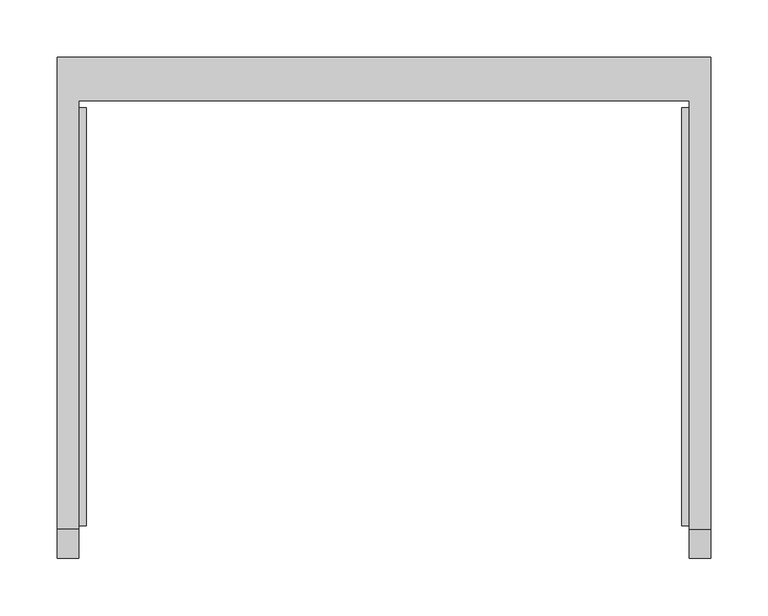
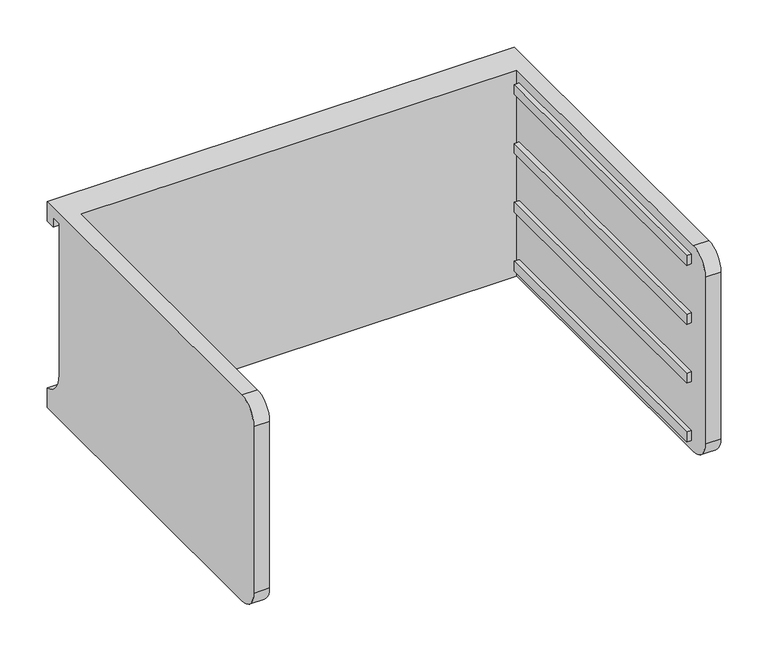
"""IFC4 building model written with IfcOpenShell, lengths in millimetres: furniture geometry."""

from ifc_helpers import new_model, si_unit, frame, origin, place, context, project, spatial, polyline, circle_curve, outline, extrude, source, transform, mapped, element, save
from ifc_brep_helpers import plane_surface, cylinder_surface, revolved_surface, advanced_brep


def furniture_abc9026d(model_context):
    return source(origin(), model_context, "Body", "SolidModel", [
        advanced_brep(
        [(-171.7622951, -331.6523397, 794.55772), (-171.7622951, -357.0523397, 769.15772), (-171.7622951, -357.0523397, 553.25772), (-171.7622951, -331.6523397, 527.85772), (-171.7622951, 43.0421197, 527.85772), (-171.7622951, 43.0421197, 794.55772), (-190.8122951, -331.6523397, 527.85772), (-190.8122951, -357.0523397, 553.25772), (-190.8122951, -357.0523397, 769.15772), (-190.8122951, -331.6523397, 794.55772), (-190.8122951, 81.0976603, 794.55772), (-190.8122951, 81.0976603, 769.15772), (-190.8122951, 68.4421197, 769.15772), (-190.8122951, 68.4421197, 781.85772), (-190.8122951, 55.7421197, 781.85772), (-190.8122951, 55.7421197, 585.80274), (-190.8122951, 81.0976603, 553.25772), (-190.8122951, 81.0976603, 527.85772), (380.6877049, 81.0976603, 527.85772), (380.6877049, -331.6523397, 527.85772), (361.6377049, -331.6523397, 527.85772), (361.6377049, 43.0421197, 527.85772), (361.6377049, 43.0421197, 794.55772), (361.6377049, -331.6523397, 794.55772), (380.6877049, -331.6523397, 794.55772), (380.6877049, 81.0976603, 794.55772), (380.6877049, 81.0976603, 553.25772), (380.6877049, 55.7421197, 585.80274), (380.6877049, 55.7421197, 781.85772), (380.6877049, 68.4421197, 781.85772), (380.6877049, 68.4421197, 769.15772), (380.6877049, 81.0976603, 769.15772), (380.6877049, -357.0523397, 769.15772), (380.6877049, -357.0523397, 553.25772), (361.6377049, -357.0523397, 553.25772), (361.6377049, -357.0523397, 769.15772)],
        [
            (0, 1, circle_curve(frame((-171.7622951, -331.6523397, 769.15772), z_axis=(1.0, 0.0, 0.0), x_axis=(0.0, 0.0, 1.0)), 25.4)),
            (1, 2),
            (2, 3, circle_curve(frame((-171.7622951, -331.6523397, 553.25772), z_axis=(1.0, 0.0, 0.0), x_axis=(0.0, 0.0, 1.0)), 25.4)),
            (3, 4),
            (4, 5),
            (5, 0),
            (6, 7, circle_curve(frame((-190.8122951, -331.6523397, 553.25772), z_axis=(-1.0, 0.0, 0.0), x_axis=(0.0, 0.0, 1.0)), 25.4)),
            (7, 8),
            (8, 9, circle_curve(frame((-190.8122951, -331.6523397, 769.15772), z_axis=(-1.0, 0.0, 0.0), x_axis=(0.0, 0.0, 1.0)), 25.4)),
            (9, 10),
            (10, 11),
            (11, 12),
            (12, 13),
            (13, 14),
            (14, 15),
            (15, 16, circle_curve(frame((-190.8122951, 89.3064162, 585.80274), z_axis=(1.0, 0.0, 0.0), x_axis=(0.0, 0.0, 1.0)), 33.5642965)),
            (16, 17),
            (17, 6),
            (0, 9),
            (8, 1),
            (7, 2),
            (6, 3),
            (17, 18),
            (18, 19),
            (19, 20),
            (20, 21),
            (21, 4),
            (5, 22),
            (22, 23),
            (23, 24),
            (24, 25),
            (25, 10),
            (18, 26),
            (26, 27, circle_curve(frame((380.6877049, 89.3064162, 585.80274), z_axis=(-1.0, 0.0, 0.0), x_axis=(0.0, 0.0, 1.0)), 33.5642965)),
            (27, 28),
            (28, 29),
            (29, 30),
            (30, 31),
            (31, 25),
            (24, 32, circle_curve(frame((380.6877049, -331.6523397, 769.15772), z_axis=(1.0, 0.0, 0.0), x_axis=(0.0, 0.0, 1.0)), 25.4)),
            (32, 33),
            (33, 19, circle_curve(frame((380.6877049, -331.6523397, 553.25772), z_axis=(1.0, 0.0, 0.0), x_axis=(0.0, 0.0, 1.0)), 25.4)),
            (16, 26),
            (15, 27),
            (14, 28),
            (13, 29),
            (12, 30),
            (11, 31),
            (21, 22),
            (20, 34, circle_curve(frame((361.6377049, -331.6523397, 553.25772), z_axis=(-1.0, 0.0, 0.0), x_axis=(0.0, 0.0, 1.0)), 25.4)),
            (34, 35),
            (35, 23, circle_curve(frame((361.6377049, -331.6523397, 769.15772), z_axis=(-1.0, 0.0, 0.0), x_axis=(0.0, 0.0, 1.0)), 25.4)),
            (35, 32),
            (34, 33),
        ],
        [
            plane_surface(frame((-171.7622951, -331.6523397, 794.55772), z_axis=(1.0, 0.0, 0.0), x_axis=(0.0, -1.0, 0.0))),
            plane_surface(frame((-190.8122951, -331.6523397, 794.55772), z_axis=(-1.0, 0.0, 0.0), x_axis=(0.0, 1.0, 0.0))),
            cylinder_surface(frame((-190.8122951, -331.6523397, 769.15772), z_axis=(1.0, 0.0, 0.0), x_axis=(0.0, 0.0, 1.0)), 25.4),
            plane_surface(frame((-171.7622951, -357.0523397, 769.15772), z_axis=(0.0, -1.0, 0.0), x_axis=(-1.0, 0.0, 0.0))),
            cylinder_surface(frame((-190.8122951, -331.6523397, 553.25772), z_axis=(1.0, 0.0, 0.0), x_axis=(0.0, 0.0, 1.0)), 25.4),
            plane_surface(frame((-171.7622951, -331.6523397, 527.85772), z_axis=(0.0, 0.0, -1.0), x_axis=(-1.0, 0.0, 0.0))),
            plane_surface(frame((-171.7622951, 43.0421197, 794.55772), z_axis=(0.0, 0.0, 1.0), x_axis=(-1.0, 0.0, 0.0))),
            plane_surface(frame((380.6877049, 81.0976603, 553.25772), z_axis=(1.0, 0.0, 0.0), x_axis=(0.0, 0.0, 1.0))),
            plane_surface(frame((380.6877049, 81.0976603, 527.85772), z_axis=(0.0, 1.0, 0.0), x_axis=(-1.0, 0.0, 0.0))),
            revolved_surface(polyline([(-190.8122951, 89.3064162, 619.3670364999999), (380.68770489999997, 89.3064162, 619.3670364999999)]), (-190.8122951, 89.3064162, 585.80274), (-1.0, 0.0, 0.0)),
            plane_surface(frame((380.6877049, 55.7421197, 585.80274), z_axis=(0.0, 1.0, 0.0), x_axis=(-1.0, 0.0, 0.0))),
            plane_surface(frame((380.6877049, 55.7421197, 781.85772), z_axis=(0.0, 0.0, -1.0), x_axis=(-1.0, 0.0, 0.0))),
            plane_surface(frame((380.6877049, 68.4421197, 781.85772), z_axis=(0.0, -1.0, 0.0), x_axis=(-1.0, 0.0, 0.0))),
            plane_surface(frame((380.6877049, 68.4421197, 769.15772), z_axis=(0.0, 0.0, -1.0), x_axis=(-1.0, 0.0, 0.0))),
            plane_surface(frame((380.6877049, 81.0976603, 769.15772), z_axis=(0.0, 1.0, 0.0), x_axis=(-1.0, 0.0, 0.0))),
            plane_surface(frame((380.6877049, 43.0421197, 794.55772), z_axis=(0.0, -1.0, 0.0), x_axis=(-1.0, 0.0, 0.0))),
            plane_surface(frame((361.6377049, -331.6523397, 794.55772), z_axis=(-1.0, 0.0, 0.0), x_axis=(0.0, 1.0, 0.0))),
            cylinder_surface(frame((361.6377049, -331.6523397, 769.15772), z_axis=(1.0, 0.0, 0.0), x_axis=(0.0, 0.0, 1.0)), 25.4),
            plane_surface(frame((380.6877049, -357.0523397, 769.15772), z_axis=(0.0, -1.0, 0.0), x_axis=(-1.0, 0.0, 0.0))),
            cylinder_surface(frame((361.6377049, -331.6523397, 553.25772), z_axis=(1.0, 0.0, 0.0), x_axis=(0.0, 0.0, 1.0)), 25.4),
        ],
        [
            (0, [[1, 2, 3, 4, 5, 6]]),
            (1, [[7, 8, 9, 10, 11, 12, 13, 14, 15, 16, 17, 18]]),
            (2, [[-1, 19, -9, 20]]),
            (3, [[-2, -20, -8, 21]]),
            (4, [[-3, -21, -7, 22]]),
            (5, [[-4, -22, -18, 23, 24, 25, 26, 27]]),
            (6, [[-6, 28, 29, 30, 31, 32, -10, -19]]),
            (7, [[-24, 33, 34, 35, 36, 37, 38, 39, -31, 40, 41, 42]]),
            (8, [[-33, -23, -17, 43]]),
            (9, [[-34, -43, -16, 44]]),
            (10, [[-35, -44, -15, 45]]),
            (11, [[-36, -45, -14, 46]]),
            (12, [[-37, -46, -13, 47]]),
            (13, [[-38, -47, -12, 48]]),
            (14, [[-39, -48, -11, -32]]),
            (15, [[-5, -27, 49, -28]]),
            (16, [[-29, -49, -26, 50, 51, 52]]),
            (17, [[-40, -30, -52, 53]]),
            (18, [[-41, -53, -51, 54]]),
            (19, [[-42, -54, -50, -25]]),
        ],
    ),
        extrude(outline(polyline([(355.2877049, -328.4773397), (355.2877049, 36.6921197), (361.6377049, 36.6921197), (361.6377049, -328.4773397), (355.2877049, -328.4773397)])), frame((0.0, 0.0, 616.75772), z_axis=(0.0, 0.0, 1.0), x_axis=(1.0, 0.0, 0.0)), (0.0, 0.0, 1.0), 12.7),
        extrude(outline(polyline([(355.2877049, -328.4773397), (355.2877049, 36.6921197), (361.6377049, 36.6921197), (361.6377049, -328.4773397), (355.2877049, -328.4773397)])), frame((0.0, 0.0, 692.95772), z_axis=(0.0, 0.0, 1.0), x_axis=(1.0, 0.0, 0.0)), (0.0, 0.0, 1.0), 12.7),
        extrude(outline(polyline([(355.2877049, -328.4773397), (355.2877049, 36.6921197), (361.6377049, 36.6921197), (361.6377049, -328.4773397), (355.2877049, -328.4773397)])), frame((0.0, 0.0, 769.15772), z_axis=(0.0, 0.0, 1.0), x_axis=(1.0, 0.0, 0.0)), (0.0, 0.0, 1.0), 12.7),
        extrude(outline(polyline([(355.2877049, -328.4773397), (355.2877049, 36.6921197), (361.6377049, 36.6921197), (361.6377049, -328.4773397), (355.2877049, -328.4773397)])), frame((0.0, 0.0, 540.55772), z_axis=(0.0, 0.0, 1.0), x_axis=(1.0, 0.0, 0.0)), (0.0, 0.0, 1.0), 12.7),
        extrude(outline(polyline([(-171.7622951, -328.4773397), (-171.7622951, 36.6921197), (-165.4122951, 36.6921197), (-165.4122951, -328.4773397), (-171.7622951, -328.4773397)])), frame((0.0, 0.0, 616.75772), z_axis=(0.0, 0.0, 1.0), x_axis=(1.0, 0.0, 0.0)), (0.0, 0.0, 1.0), 12.7),
        extrude(outline(polyline([(-171.7622951, -328.4773397), (-171.7622951, 36.6921197), (-165.4122951, 36.6921197), (-165.4122951, -328.4773397), (-171.7622951, -328.4773397)])), frame((0.0, 0.0, 692.95772), z_axis=(0.0, 0.0, 1.0), x_axis=(1.0, 0.0, 0.0)), (0.0, 0.0, 1.0), 12.7),
        extrude(outline(polyline([(-171.7622951, -328.4773397), (-171.7622951, 36.6921197), (-165.4122951, 36.6921197), (-165.4122951, -328.4773397), (-171.7622951, -328.4773397)])), frame((0.0, 0.0, 769.15772), z_axis=(0.0, 0.0, 1.0), x_axis=(1.0, 0.0, 0.0)), (0.0, 0.0, 1.0), 12.7),
        extrude(outline(polyline([(-171.7622951, -328.4773397), (-171.7622951, 36.6921197), (-165.4122951, 36.6921197), (-165.4122951, -328.4773397), (-171.7622951, -328.4773397)])), frame((0.0, 0.0, 540.55772), z_axis=(0.0, 0.0, 1.0), x_axis=(1.0, 0.0, 0.0)), (0.0, 0.0, 1.0), 12.7),
    ])


if __name__ == "__main__":
    model = new_model("IFC4")
    model_context = context("Model", 3, world=origin())
    ifc_project = project(units=[si_unit("LENGTHUNIT", "METRE", prefix="MILLI")], contexts=[model_context])
    site = spatial("IfcSite", under=ifc_project)
    building = spatial("IfcBuilding", under=site)
    placement = place(None, origin())
    furniture_shape = furniture_abc9026d(model_context)
    element("IfcFurniture", 1, at=placement, inside=building, context=model_context, shape_type="MappedRepresentation", body=[
        mapped(furniture_shape, transform((0.0, 0.0, 0.0), x_axis=(1.0, 0.0, 0.0), y_axis=(0.0, 1.0, 0.0), z_axis=(0.0, 0.0, 1.0))),
    ])
    save(model, "model.ifc")
